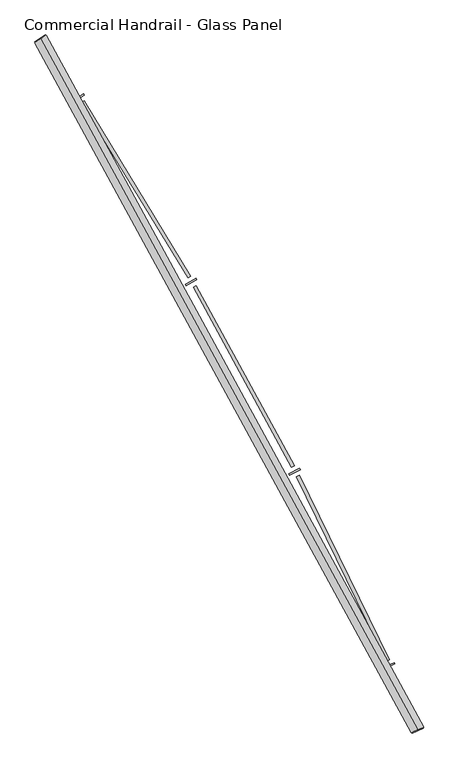
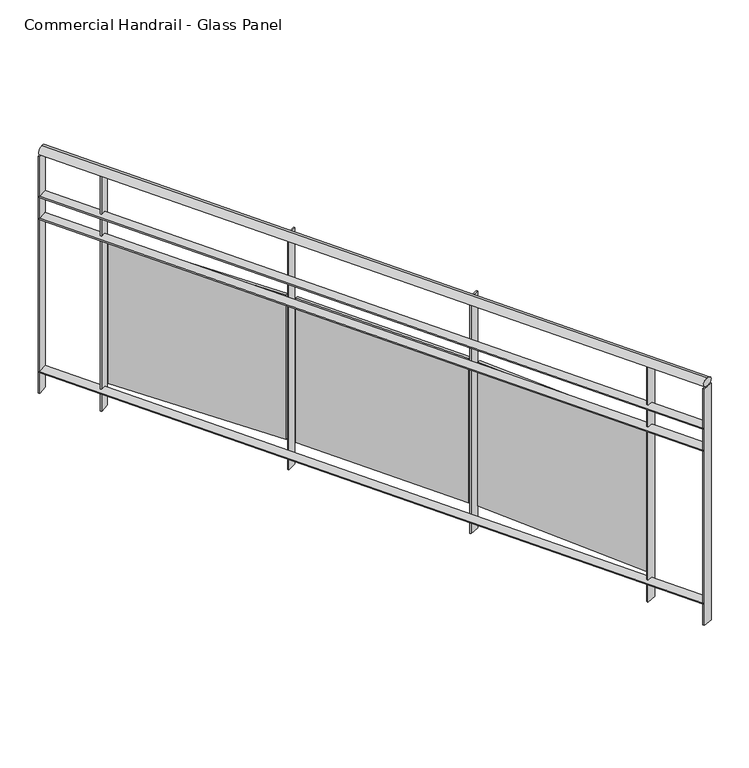
"""IFC4 building model written with IfcOpenShell, lengths in millimetres: railing geometry, Commercial Handrail - Glass Panel."""

from ifc_helpers import new_model, si_unit, point, frame, origin, place, context, project, spatial, polyline, circle_curve, ellipse_curve, trimmed, outline, extrude, source, transform, mapped, element, save
from ifc_brep_helpers import plane_surface, cylinder_surface, revolved_surface, advanced_brep


def commercial_handrail_glass_panel_2f8a0490(model_context):
    return source(origin(), model_context, "Body", "SolidModel", [
        advanced_brep(
        [(152681.2087099, -42805.7971709, 9482.5), (154079.9485011, -45365.2391742, 9482.5), (154079.9485011, -45365.2391742, 9517.5), (152681.2087099, -42805.7971709, 9517.5)],
        [
            (0, 1, circle_curve(frame((138512.5563245, -52210.9198633, 9482.5), z_axis=(0.0, 0.0, -1.0), x_axis=(0.9154011077709024, 0.40254293173747885, 0.0)), 17006.0884179)),
            (1, 2, ellipse_curve(frame((154079.9485011, -45365.2391742, 9500.0), z_axis=(-0.4025429317374835, 0.9154011077709004, 0.0), x_axis=(0.9154011077709004, 0.4025429317374835, 0.0)), 25.0, 17.5)),
            (2, 3, circle_curve(frame((138512.5563245, -52210.9198633, 9517.5), z_axis=(0.0, 0.0, 1.0), x_axis=(0.9154011077709024, 0.40254293173747885, 0.0)), 17006.0884179)),
            (3, 0, ellipse_curve(frame((152681.2087099, -42805.7971709, 9500.0), z_axis=(0.5530444427532936, -0.8331517534877418, 0.0), x_axis=(0.8331517534877418, 0.5530444427532936, 0.0)), 25.0, 17.5)),
            (2, 1, ellipse_curve(frame((154079.9485011, -45365.2391742, 9500.0), z_axis=(-0.4025429317374835, 0.9154011077709004, 0.0), x_axis=(0.9154011077709004, 0.4025429317374835, 0.0)), 25.0, 17.5)),
            (0, 3, ellipse_curve(frame((152681.2087099, -42805.7971709, 9500.0), z_axis=(0.5530444427532936, -0.8331517534877418, 0.0), x_axis=(0.8331517534877418, 0.5530444427532936, 0.0)), 25.0, 17.5)),
        ],
        [
            revolved_surface(trimmed(ellipse_curve(frame((154079.9485011, -45365.2391742, 9500.0), z_axis=(0.40254293173747885, -0.9154011077709024, 0.0), x_axis=(0.0, 0.0, -1.0)), 17.5, 25.0), [point((154079.9485011, -45365.2391742, 9517.5))], [point((154079.9485011, -45365.2391742, 9482.5))], True, "CARTESIAN"), (138512.5563245, -52210.9198633, 9500.0), (0.0, 0.0, 1.0)),
            revolved_surface(trimmed(ellipse_curve(frame((154079.9485011, -45365.2391742, 9500.0), z_axis=(0.40254293173747885, -0.9154011077709024, 0.0), x_axis=(0.0, 0.0, -1.0)), 17.5, 25.0), [point((154079.9485011, -45365.2391742, 9482.5))], [point((154079.9485011, -45365.2391742, 9517.5))], True, "CARTESIAN"), (138512.5563245, -52210.9198633, 9500.0), (0.0, 0.0, 1.0)),
            plane_surface(frame((154079.9485011, -45365.2391742, 9500.0), z_axis=(0.4025429317374789, -0.9154011077709026, 0.0), x_axis=(0.9154011077709026, 0.4025429317374789, 0.0))),
            plane_surface(frame((152681.2087099, -42805.7971709, 9500.0), z_axis=(-0.5530444427532946, 0.8331517534877412, 0.0), x_axis=(0.8331517534877412, 0.5530444427532946, 0.0))),
        ],
        [
            (0, [[1, 2, 3, 4]]),
            (1, [[-3, 5, -1, 6]]),
            (2, [[-2, -5]]),
            (3, [[-6, -4]]),
        ],
    ),
        advanced_brep(
        [(152662.4627954, -42818.2406708, 9300.0), (154059.3519762, -45374.2963902, 9300.0), (154100.545026, -45356.1819583, 9300.0), (152699.9546243, -42793.3536709, 9300.0), (152662.4627954, -42818.2406708, 9294.0), (154059.3519762, -45374.2963902, 9294.0), (152699.9546243, -42793.3536709, 9294.0), (154100.545026, -45356.1819583, 9294.0)],
        [
            (0, 1, circle_curve(frame((138512.5563245, -52210.9198633, 9300.0), z_axis=(0.0, 0.0, -1.0), x_axis=(0.9154011077709024, 0.40254293173747885, 0.0)), 16983.5884179)),
            (1, 2),
            (2, 3, circle_curve(frame((138512.5563245, -52210.9198633, 9300.0), z_axis=(0.0, 0.0, 1.0), x_axis=(0.9154011077709024, 0.40254293173747885, 0.0)), 17028.5884179)),
            (3, 0),
            (4, 5, circle_curve(frame((138512.5563245, -52210.9198633, 9294.0), z_axis=(0.0, 0.0, -1.0), x_axis=(0.9154011077709024, 0.40254293173747885, 0.0)), 16983.5884179)),
            (5, 1),
            (0, 4),
            (6, 7, circle_curve(frame((138512.5563245, -52210.9198633, 9294.0), z_axis=(0.0, 0.0, -1.0), x_axis=(0.9154011077709024, 0.40254293173747885, 0.0)), 17028.5884179)),
            (7, 5),
            (4, 6),
            (2, 7),
            (6, 3),
        ],
        [
            plane_surface(frame((138512.5563245, -52210.9198633, 9300.0), z_axis=(0.0, 0.0, 1.0000000000000002), x_axis=(0.9154011077709026, 0.4025429317374789, 0.0))),
            revolved_surface(polyline([(154059.35197617073, -45374.296390135845, 9300.0), (154059.35197617073, -45374.296390135845, 9294.0)]), (138512.5563245, -52210.9198633, 9300.0), (0.0, 0.0, 1.0)),
            plane_surface(frame((138512.5563245, -52210.9198633, 9294.0), z_axis=(0.0, 0.0, -1.0000000000000002), x_axis=(0.9154011077709026, 0.4025429317374789, 0.0))),
            cylinder_surface(frame((138512.5563245, -52210.9198633, 9300.0), z_axis=(0.0, 0.0, 1.0), x_axis=(0.9154011077709024, 0.40254293173747885, 0.0)), 17028.5884179),
            plane_surface(frame((154079.9485011, -45365.2391742, 9300.0), z_axis=(0.4025429317374789, -0.9154011077709026, 0.0), x_axis=(0.9154011077709026, 0.4025429317374789, 0.0))),
            plane_surface(frame((152681.2087099, -42805.7971709, 9300.0), z_axis=(-0.5530444427532946, 0.8331517534877412, 0.0), x_axis=(0.8331517534877412, 0.5530444427532946, 0.0))),
        ],
        [
            (0, [[1, 2, 3, 4]]),
            (1, [[5, 6, -1, 7]]),
            (2, [[8, 9, -5, 10]]),
            (3, [[-3, 11, -8, 12]]),
            (4, [[-2, -6, -9, -11]]),
            (5, [[-12, -10, -7, -4]]),
        ],
    ),
        advanced_brep(
        [(152662.4627954, -42818.2406708, 9200.0), (154059.3519762, -45374.2963902, 9200.0), (154100.545026, -45356.1819583, 9200.0), (152699.9546243, -42793.3536709, 9200.0), (152662.4627954, -42818.2406708, 9194.0), (154059.3519762, -45374.2963902, 9194.0), (152699.9546243, -42793.3536709, 9194.0), (154100.545026, -45356.1819583, 9194.0)],
        [
            (0, 1, circle_curve(frame((138512.5563245, -52210.9198633, 9200.0), z_axis=(0.0, 0.0, -1.0), x_axis=(0.9154011077709024, 0.40254293173747885, 0.0)), 16983.5884179)),
            (1, 2),
            (2, 3, circle_curve(frame((138512.5563245, -52210.9198633, 9200.0), z_axis=(0.0, 0.0, 1.0), x_axis=(0.9154011077709024, 0.40254293173747885, 0.0)), 17028.5884179)),
            (3, 0),
            (4, 5, circle_curve(frame((138512.5563245, -52210.9198633, 9194.0), z_axis=(0.0, 0.0, -1.0), x_axis=(0.9154011077709024, 0.40254293173747885, 0.0)), 16983.5884179)),
            (5, 1),
            (0, 4),
            (6, 7, circle_curve(frame((138512.5563245, -52210.9198633, 9194.0), z_axis=(0.0, 0.0, -1.0), x_axis=(0.9154011077709024, 0.40254293173747885, 0.0)), 17028.5884179)),
            (7, 5),
            (4, 6),
            (2, 7),
            (6, 3),
        ],
        [
            plane_surface(frame((138512.5563245, -52210.9198633, 9200.0), z_axis=(0.0, 0.0, 1.0000000000000002), x_axis=(0.9154011077709026, 0.4025429317374789, 0.0))),
            revolved_surface(polyline([(154059.35197617073, -45374.296390135845, 9200.0), (154059.35197617073, -45374.296390135845, 9194.0)]), (138512.5563245, -52210.9198633, 9200.0), (0.0, 0.0, 1.0)),
            plane_surface(frame((138512.5563245, -52210.9198633, 9194.0), z_axis=(0.0, 0.0, -1.0000000000000002), x_axis=(0.9154011077709026, 0.4025429317374789, 0.0))),
            cylinder_surface(frame((138512.5563245, -52210.9198633, 9200.0), z_axis=(0.0, 0.0, 1.0), x_axis=(0.9154011077709024, 0.40254293173747885, 0.0)), 17028.5884179),
            plane_surface(frame((154079.9485011, -45365.2391742, 9200.0), z_axis=(0.4025429317374789, -0.9154011077709026, 0.0), x_axis=(0.9154011077709026, 0.4025429317374789, 0.0))),
            plane_surface(frame((152681.2087099, -42805.7971709, 9200.0), z_axis=(-0.5530444427532946, 0.8331517534877412, 0.0), x_axis=(0.8331517534877412, 0.5530444427532946, 0.0))),
        ],
        [
            (0, [[1, 2, 3, 4]]),
            (1, [[5, 6, -1, 7]]),
            (2, [[8, 9, -5, 10]]),
            (3, [[-3, 11, -8, 12]]),
            (4, [[-2, -6, -9, -11]]),
            (5, [[-12, -10, -7, -4]]),
        ],
    ),
        advanced_brep(
        [(152662.4627954, -42818.2406708, 8500.0), (154059.3519762, -45374.2963902, 8500.0), (154100.545026, -45356.1819583, 8500.0), (152699.9546243, -42793.3536709, 8500.0), (152662.4627954, -42818.2406708, 8494.0), (154059.3519762, -45374.2963902, 8494.0), (152699.9546243, -42793.3536709, 8494.0), (154100.545026, -45356.1819583, 8494.0)],
        [
            (0, 1, circle_curve(frame((138512.5563245, -52210.9198633, 8500.0), z_axis=(0.0, 0.0, -1.0), x_axis=(0.9154011077709024, 0.40254293173747885, 0.0)), 16983.5884179)),
            (1, 2),
            (2, 3, circle_curve(frame((138512.5563245, -52210.9198633, 8500.0), z_axis=(0.0, 0.0, 1.0), x_axis=(0.9154011077709024, 0.40254293173747885, 0.0)), 17028.5884179)),
            (3, 0),
            (4, 5, circle_curve(frame((138512.5563245, -52210.9198633, 8494.0), z_axis=(0.0, 0.0, -1.0), x_axis=(0.9154011077709024, 0.40254293173747885, 0.0)), 16983.5884179)),
            (5, 1),
            (0, 4),
            (6, 7, circle_curve(frame((138512.5563245, -52210.9198633, 8494.0), z_axis=(0.0, 0.0, -1.0), x_axis=(0.9154011077709024, 0.40254293173747885, 0.0)), 17028.5884179)),
            (7, 5),
            (4, 6),
            (2, 7),
            (6, 3),
        ],
        [
            plane_surface(frame((138512.5563245, -52210.9198633, 8500.0), z_axis=(0.0, 0.0, 1.0000000000000002), x_axis=(0.9154011077709026, 0.4025429317374789, 0.0))),
            revolved_surface(polyline([(154059.35197617073, -45374.296390135845, 8500.0), (154059.35197617073, -45374.296390135845, 8494.0)]), (138512.5563245, -52210.9198633, 8500.0), (0.0, 0.0, 1.0)),
            plane_surface(frame((138512.5563245, -52210.9198633, 8494.0), z_axis=(0.0, 0.0, -1.0000000000000002), x_axis=(0.9154011077709026, 0.4025429317374789, 0.0))),
            cylinder_surface(frame((138512.5563245, -52210.9198633, 8500.0), z_axis=(0.0, 0.0, 1.0), x_axis=(0.9154011077709024, 0.40254293173747885, 0.0)), 17028.5884179),
            plane_surface(frame((154079.9485011, -45365.2391742, 8500.0), z_axis=(0.4025429317374789, -0.9154011077709026, 0.0), x_axis=(0.9154011077709026, 0.4025429317374789, 0.0))),
            plane_surface(frame((152681.2087099, -42805.7971709, 8500.0), z_axis=(-0.5530444427532946, 0.8331517534877412, 0.0), x_axis=(0.8331517534877412, 0.5530444427532946, 0.0))),
        ],
        [
            (0, [[1, 2, 3, 4]]),
            (1, [[5, 6, -1, 7]]),
            (2, [[8, 9, -5, 10]]),
            (3, [[-3, 11, -8, 12]]),
            (4, [[-2, -6, -9, -11]]),
            (5, [[-12, -10, -7, -4]]),
        ],
    ),
        extrude(outline(polyline([(152843.9746071, -43014.0028518), (152806.1064717, -43038.3134324), (152802.865061, -43033.2643477), (152840.7331963, -43008.9537671), (152843.9746071, -43014.0028518)])), frame((0.0, 0.0, 8400.0), z_axis=(0.0, 0.0, 1.0), x_axis=(1.0, 0.0, 0.0)), (0.0, 0.0, 1.0), 1082.1192282),
        extrude(outline(polyline([(153228.1233935, -43690.3863087), (152832.6997466, -43041.3561558), (152842.9475911, -43035.1126245), (153238.371238, -43684.1427775), (153228.1233935, -43690.3863087)])), frame((0.0, 0.0, 8520.0), z_axis=(0.0, 0.0, 1.0), x_axis=(1.0, 0.0, 0.0)), (0.0, 0.0, 1.0), 660.0),
        extrude(outline(polyline([(153260.6017897, -43698.1067288), (153221.6323507, -43720.6096803), (153218.6319572, -43715.4137551), (153257.6013961, -43692.9108036), (153260.6017897, -43698.1067288)])), frame((0.0, 0.0, 8400.0), z_axis=(0.0, 0.0, 1.0), x_axis=(1.0, 0.0, 0.0)), (0.0, 0.0, 1.0), 1082.1192282),
        extrude(outline(polyline([(153612.5189238, -44391.8063767), (153248.0531233, -43724.8995764), (153258.5832307, -43719.1448533), (153623.0490312, -44386.0516536), (153612.5189238, -44391.8063767)])), frame((0.0, 0.0, 8520.0), z_axis=(0.0, 0.0, 1.0), x_axis=(1.0, 0.0, 0.0)), (0.0, 0.0, 1.0), 660.0),
        extrude(outline(polyline([(153644.5983402, -44401.0455404), (153604.6138191, -44421.6910742), (153601.8610812, -44416.3598047), (153641.8456024, -44395.7142709), (153644.5983402, -44401.0455404)])), frame((0.0, 0.0, 8400.0), z_axis=(0.0, 0.0, 1.0), x_axis=(1.0, 0.0, 0.0)), (0.0, 0.0, 1.0), 1082.1192282),
        extrude(outline(polyline([(153963.5051916, -45110.5265416), (153630.8036324, -44427.2186516), (153641.5927043, -44421.965469), (153974.2942635, -45105.273359), (153963.5051916, -45110.5265416)])), frame((0.0, 0.0, 8520.0), z_axis=(0.0, 0.0, 1.0), x_axis=(1.0, 0.0, 0.0)), (0.0, 0.0, 1.0), 660.0),
        extrude(outline(polyline([(153995.1146513, -45121.2640068), (153954.2035152, -45140.0064439), (153951.7045236, -45134.5516257), (153992.6156597, -45115.8091887), (153995.1146513, -45121.2640068)])), frame((0.0, 0.0, 8400.0), z_axis=(0.0, 0.0, 1.0), x_axis=(1.0, 0.0, 0.0)), (0.0, 0.0, 1.0), 1082.1192282),
        extrude(outline(polyline([(152701.6137576, -42795.8531262), (152664.1219287, -42820.7401261), (152660.8036621, -42815.7412156), (152698.295491, -42790.8542156), (152701.6137576, -42795.8531262)])), frame((0.0, 0.0, 8400.0), z_axis=(0.0, 0.0, 1.0), x_axis=(1.0, 0.0, 0.0)), (0.0, 0.0, 1.0), 1082.1192282),
        extrude(outline(polyline([(154101.7526548, -45358.9281616), (154060.559605, -45377.0425935), (154058.1443474, -45371.5501869), (154099.3373972, -45353.4357549), (154101.7526548, -45358.9281616)])), frame((0.0, 0.0, 8400.0), z_axis=(0.0, 0.0, 1.0), x_axis=(1.0, 0.0, 0.0)), (0.0, 0.0, 1.0), 1082.1192282),
    ])


if __name__ == "__main__":
    model = new_model("IFC4")
    model_context = context("Model", 3, world=origin())
    ifc_project = project(units=[si_unit("LENGTHUNIT", "METRE", prefix="MILLI")], contexts=[model_context])
    site = spatial("IfcSite", under=ifc_project)
    building = spatial("IfcBuilding", under=site)
    placement = place(None, origin())
    commercial_handrail_glass_panel_shape = commercial_handrail_glass_panel_2f8a0490(model_context)
    element("IfcRailing", 1, ObjectType="Commercial Handrail - Glass Panel", at=placement, inside=building, context=model_context, shape_type="MappedRepresentation", body=[
        mapped(commercial_handrail_glass_panel_shape, transform((0.0, 0.0, 0.0), x_axis=(1.0, 0.0, 0.0), y_axis=(0.0, 1.0, 0.0), z_axis=(0.0, 0.0, 1.0))),
    ])
    save(model, "model.ifc")
